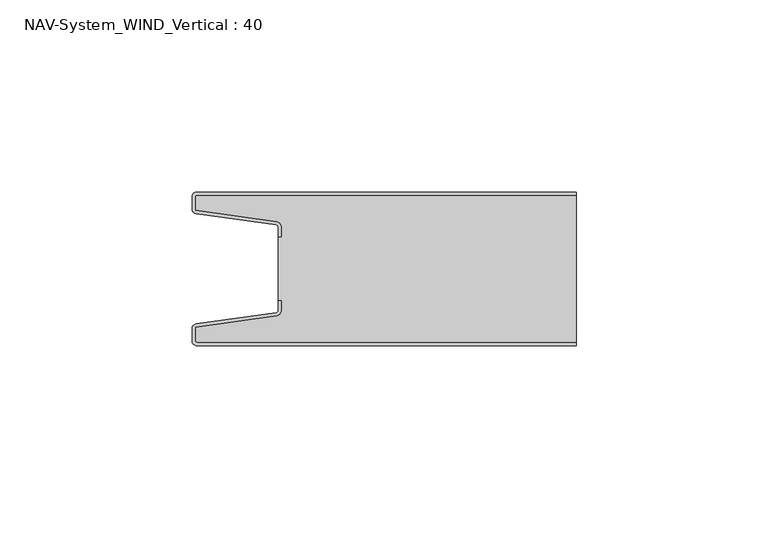
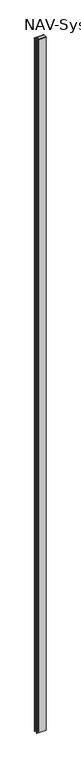
"""IFC4 building model written with IfcOpenShell, lengths in millimetres: plate geometry, NAV-System_WIND_Vertical : 40."""

from ifc_helpers import new_model, si_unit, point, frame_2d, origin, origin_with_axes, place, context, project, spatial, polyline, circle_curve, trimmed, segment, composite_curve, outline, extrude, source, transform, mapped, element, save


def nav_system_wind_vertical_40_258205e8(model_context):
    return source(origin(), model_context, "Body", "SweptSolid", [
        extrude(outline(composite_curve([segment(trimmed(circle_curve(frame_2d((-48.7, -38.7)), 1.3), [point((-48.7, -40.0))], [point((-50.0, -38.7))], False, "CARTESIAN"), True, "CONTINUOUS"), segment(polyline([(-50.0, -38.7), (-50.0, -35.6299809)]), True, "CONTINUOUS"), segment(trimmed(circle_curve(frame_2d((-48.7, -35.6299809)), 1.3), [point((-50.0, -35.6299809))], [point((-48.8810287, -34.342647))], False, "CARTESIAN"), True, "CONTINUOUS"), segment(polyline([(-48.8810287, -34.342647), (-28.102523, -31.4207123)]), True, "CONTINUOUS"), segment(trimmed(circle_curve(frame_2d((-28.2, -30.7275325)), 0.7), [point((-28.102523, -31.4207123))], [point((-27.5, -30.7275325))], True, "CARTESIAN"), True, "CONTINUOUS"), segment(polyline([(-27.5, -30.7275325), (-27.5, -28.3275325), (-26.7, -28.3275325), (-26.7, -30.7275325)]), True, "CONTINUOUS"), segment(trimmed(circle_curve(frame_2d((-28.2, -30.7275325)), 1.5), [point((-26.7, -30.7275325))], [point((-27.9911207, -32.2129178))], False, "CARTESIAN"), True, "CONTINUOUS"), segment(polyline([(-27.9911207, -32.2129178), (-49.2, -35.1953728), (-49.2, -38.7)]), True, "CONTINUOUS"), segment(trimmed(circle_curve(frame_2d((-48.7, -38.7)), 0.5), [point((-49.2, -38.7))], [point((-48.7, -39.2))], True, "CARTESIAN"), True, "CONTINUOUS"), segment(polyline([(-48.7, -39.2), (50.0, -39.2), (50.0, -40.0), (-48.7, -40.0)]), True, "CONTINUOUS")], self_intersect=False)), origin_with_axes(), (0.0, 0.0, 1.0), 8000.0),
        extrude(outline(composite_curve([segment(trimmed(circle_curve(frame_2d((-48.7, -1.3)), 0.5), [point((-48.7, -0.8))], [point((-49.2, -1.3))], True, "CARTESIAN"), True, "CONTINUOUS"), segment(polyline([(-49.2, -1.3), (-49.2, -4.8046272), (-27.9911207, -7.7870822)]), True, "CONTINUOUS"), segment(trimmed(circle_curve(frame_2d((-28.2, -9.2724675)), 1.5), [point((-27.9911207, -7.7870822))], [point((-26.7, -9.2724675))], False, "CARTESIAN"), True, "CONTINUOUS"), segment(polyline([(-26.7, -9.2724675), (-26.7, -11.6724675), (-27.5, -11.6724675), (-27.5, -9.2724675)]), True, "CONTINUOUS"), segment(trimmed(circle_curve(frame_2d((-28.2, -9.2724675)), 0.7), [point((-27.5, -9.2724675))], [point((-28.102523, -8.5792877))], True, "CARTESIAN"), True, "CONTINUOUS"), segment(polyline([(-28.102523, -8.5792877), (-48.8810287, -5.657353)]), True, "CONTINUOUS"), segment(trimmed(circle_curve(frame_2d((-48.7, -4.3700191)), 1.3), [point((-48.8810287, -5.657353))], [point((-50.0, -4.3700191))], False, "CARTESIAN"), True, "CONTINUOUS"), segment(polyline([(-50.0, -4.3700191), (-50.0, -1.3)]), True, "CONTINUOUS"), segment(trimmed(circle_curve(frame_2d((-48.7, -1.3)), 1.3), [point((-50.0, -1.3))], [point((-48.7, 0.0))], False, "CARTESIAN"), True, "CONTINUOUS"), segment(polyline([(-48.7, 0.0), (50.0, 0.0), (50.0, -0.8), (-48.7, -0.8)]), True, "CONTINUOUS")], self_intersect=False)), origin_with_axes(), (0.0, 0.0, 1.0), 8000.0),
        extrude(outline(composite_curve([segment(trimmed(circle_curve(frame_2d((-48.7, -38.7)), 0.5), [point((-48.7, -39.2))], [point((-49.2, -38.7))], False, "CARTESIAN"), True, "CONTINUOUS"), segment(polyline([(-49.2, -38.7), (-49.2, -35.1953728), (-27.9911207, -32.2129178)]), True, "CONTINUOUS"), segment(trimmed(circle_curve(frame_2d((-28.2, -30.7275325)), 1.5), [point((-27.9911207, -32.2129178))], [point((-26.7, -30.7275325))], True, "CARTESIAN"), True, "CONTINUOUS"), segment(polyline([(-26.7, -30.7275325), (-26.7, -28.2767555), (-27.5, -28.2767555), (-27.5, -11.6767555), (-26.7, -11.6767555), (-26.7, -9.2724675)]), True, "CONTINUOUS"), segment(trimmed(circle_curve(frame_2d((-28.2, -9.2724675)), 1.5), [point((-26.7, -9.2724675))], [point((-27.9911207, -7.7870822))], True, "CARTESIAN"), True, "CONTINUOUS"), segment(polyline([(-27.9911207, -7.7870822), (-49.2, -4.8046272), (-49.2, -1.3)]), True, "CONTINUOUS"), segment(trimmed(circle_curve(frame_2d((-48.7, -1.3)), 0.5), [point((-49.2, -1.3))], [point((-48.7, -0.8))], False, "CARTESIAN"), True, "CONTINUOUS"), segment(polyline([(-48.7, -0.8), (50.0, -0.8), (50.0, -39.2), (-48.7, -39.2)]), True, "CONTINUOUS")], self_intersect=False)), origin_with_axes(), (0.0, 0.0, 1.0), 8000.0),
    ])


if __name__ == "__main__":
    model = new_model("IFC4")
    model_context = context("Model", 3, world=origin())
    ifc_project = project(units=[si_unit("LENGTHUNIT", "METRE", prefix="MILLI")], contexts=[model_context])
    site = spatial("IfcSite", under=ifc_project)
    building = spatial("IfcBuilding", under=site)
    placement = place(None, origin())
    nav_system_wind_vertical_40_shape = nav_system_wind_vertical_40_258205e8(model_context)
    element("IfcPlate", 1, ObjectType="NAV-System_WIND_Vertical : 40", at=placement, inside=building, context=model_context, shape_type="MappedRepresentation", body=[
        mapped(nav_system_wind_vertical_40_shape, transform((0.0, 0.0, 0.0), x_axis=(1.0, 0.0, 0.0), y_axis=(0.0, 1.0, 0.0), z_axis=(0.0, 0.0, 1.0))),
    ])
    save(model, "model.ifc")
